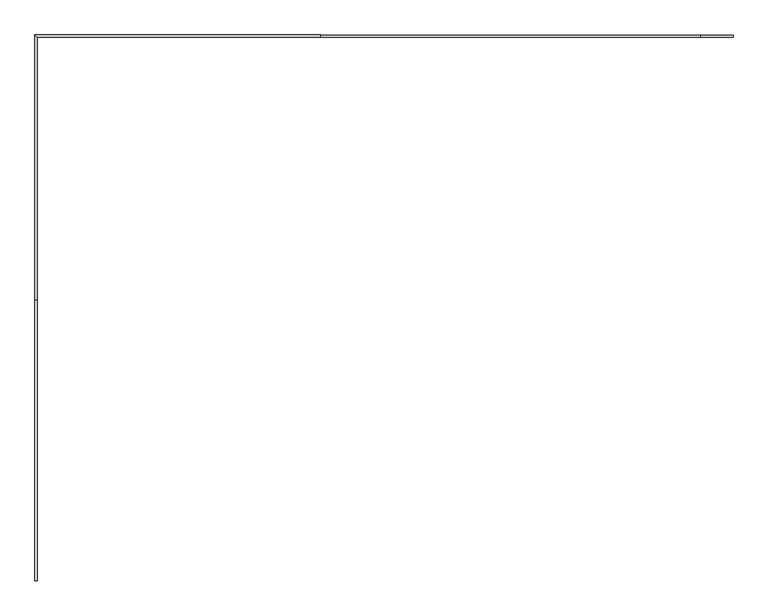
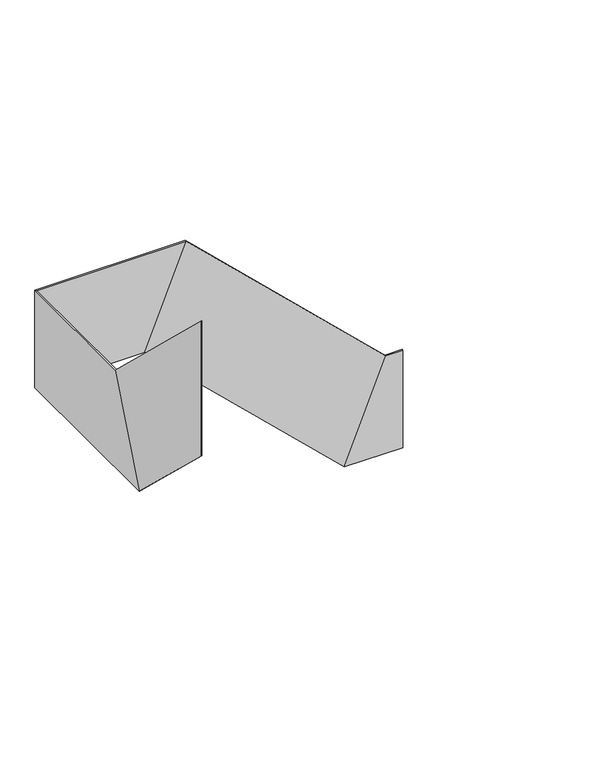
"""IFC4 building model written with IfcOpenShell, lengths in millimetres: railing geometry."""

from ifc_helpers import new_model, si_unit, origin, place, context, project, spatial, faceted_brep, source, transform, mapped, element, save


def railing_d52143dc(model_context):
    return source(origin(), model_context, "Body", "Brep", [
        faceted_brep([(-12236.1197571, -2570.8084185, 10.5263158), (-12236.1197571, -2570.8084185, 1260.5263158), (-12236.1197571, -2585.8084185, 1260.5263158), (-12236.1197571, -2585.8084185, 10.5263158), (-12945.1197571, -2570.8084185, 10.5263158), (-12443.3904811, -2570.8084185, 1260.5263158), (-12443.3904811, -2585.8084185, 1260.5263158), (-12945.1197571, -2585.8084185, 10.5263158), (-15365.1197571, -2570.8084185, 2326.3157895), (-14863.3904811, -2570.8084185, 3576.3157895), (-14863.3904811, -2585.8084185, 3576.3157895), (-15365.1197571, -2585.8084185, 2326.3157895), (-16686.6197571, -2570.8084185, 2326.3157895), (-16686.6197571, -2570.8084185, 3576.3157895), (-16671.6197571, -2585.8084185, 3576.3157895), (-16671.6197571, -2585.8084185, 2326.3157895), (-16686.6197571, -4761.0105301, 2326.3157895), (-16686.6197571, -4259.2812541, 3576.3157895), (-16671.6197571, -4259.2812541, 3576.3157895), (-16671.6197571, -4761.0105301, 2326.3157895), (-16686.6197571, -6050.7605301, 3560.5263158), (-16671.6197571, -6050.7605301, 3560.5263158), (-16671.6197571, -6050.7605301, 5290.6500249), (-16686.6197571, -6050.7605301, 5290.6500249)], [[[0, 1, 2, 3]], [[1, 0, 4, 5]], [[2, 1, 5, 6]], [[3, 2, 6, 7]], [[0, 3, 7, 4]], [[5, 4, 8, 9]], [[6, 5, 9, 10]], [[7, 6, 10, 11]], [[4, 7, 11, 8]], [[9, 8, 12, 13]], [[10, 9, 13, 14]], [[11, 10, 14, 15]], [[8, 11, 15, 12]], [[13, 12, 16, 17]], [[14, 13, 17, 18]], [[15, 14, 18, 19]], [[12, 15, 19, 16]], [[20, 21, 22, 23]], [[17, 16, 20, 23]], [[18, 17, 23, 22]], [[19, 18, 22, 21]], [[16, 19, 21, 20]]]),
    ])


if __name__ == "__main__":
    model = new_model("IFC4")
    model_context = context("Model", 3, world=origin())
    ifc_project = project(units=[si_unit("LENGTHUNIT", "METRE", prefix="MILLI")], contexts=[model_context])
    site = spatial("IfcSite", under=ifc_project)
    building = spatial("IfcBuilding", under=site)
    placement = place(None, origin())
    railing_shape = railing_d52143dc(model_context)
    element("IfcRailing", 1, at=placement, inside=building, context=model_context, shape_type="MappedRepresentation", body=[
        mapped(railing_shape, transform((0.0, 0.0, 0.0), x_axis=(1.0, 0.0, 0.0), y_axis=(0.0, 1.0, 0.0), z_axis=(0.0, 0.0, 1.0))),
    ])
    save(model, "model.ifc")
